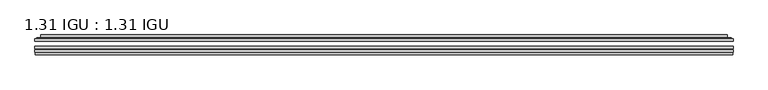
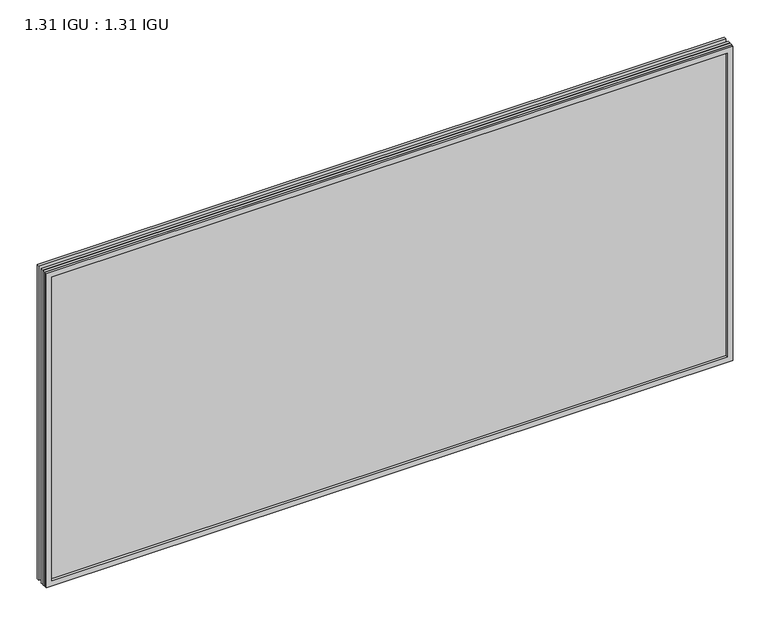
"""IFC4 building model written with IfcOpenShell, lengths in millimetres: plate geometry, 1.31 IGU : 1.31 IGU."""

from ifc_helpers import new_model, si_unit, frame, origin, place, context, project, spatial, polyline, ellipse_curve, outline, extrude, faceted_brep, source, transform, mapped, element, save
from ifc_brep_helpers import plane_surface, cylinder_surface, advanced_brep


def plate_1_31_igu_1_31_igu_b4c72619(model_context):
    return source(origin(), model_context, "Body", "SolidModel", [
        extrude(outline(polyline([(871.5519462, -63.59525), (871.5519462, -69.94525), (-871.5377713, -69.94525), (-871.5377713, -63.59525), (871.5519462, -63.59525)])), frame((0.0, 0.0, -14.2875), z_axis=(0.0, 0.0, 1.0), x_axis=(1.0, 0.0, 0.0)), (0.0, 0.0, 1.0), 844.5537979),
        extrude(outline(polyline([(-871.5377713, -78.58125), (-871.5377713, -72.230745), (871.5519462, -72.230745), (871.5519462, -78.58125), (-871.5377713, -78.58125)])), frame((0.0, 0.0, -14.2875), z_axis=(0.0, 0.0, 1.0), x_axis=(1.0, 0.0, 0.0)), (0.0, 0.0, 1.0), 844.5537979),
        extrude(outline(polyline([(871.5519462, -45.25645), (871.5519462, -51.60645), (-871.5377713, -51.60645), (-871.5377713, -45.25645), (871.5519462, -45.25645)])), frame((0.0, 0.0, -14.2875), z_axis=(0.0, 0.0, 1.0), x_axis=(1.0, 0.0, 0.0)), (0.0, 0.0, 1.0), 844.5537979),
        faceted_brep([(-870.8375855, -84.93125, 829.5623142), (-870.8375855, -78.58125, 829.5623142), (-870.8375855, -78.58125, -13.5873142), (-870.8375855, -84.93125, -13.5873142), (870.8375855, -78.58125, -13.5873142), (870.8375855, -84.93125, -13.5873142), (870.8375855, -78.58125, 829.5623142), (870.8375855, -84.93125, 829.5623142), (-856.3525272, -78.58125, 0.8977441), (856.3525272, -78.58125, 0.8977441), (856.3525272, -78.58125, 815.0772559), (-856.3525272, -78.58125, 815.0772559), (-857.2449615, -84.93125, 815.9696902), (857.2449615, -84.93125, 815.9696902), (857.2449615, -84.93125, 0.0053098), (-857.2449615, -84.93125, 0.0053098)], [[[0, 1, 2, 3]], [[3, 2, 4, 5]], [[5, 4, 6, 7]], [[1, 6, 4, 2], [8, 9, 10, 11]], [[7, 6, 1, 0]], [[3, 5, 7, 0], [12, 13, 14, 15]], [[11, 12, 15, 8]], [[8, 15, 14, 9]], [[9, 14, 13, 10]], [[10, 13, 12, 11]]]),
        advanced_brep(
        [(-864.2964903, -45.25645, 823.0212191), (-866.6506957, -43.2667833, 825.3754244), (-866.6506957, -43.2667833, -9.4004244), (-864.2964903, -45.25645, -7.046219), (-855.2221652, -41.416413, 813.9468939), (-850.2873334, -45.25645, 809.0120621), (-850.2873334, -45.25645, 6.9629379), (-855.2221652, -41.416413, 2.0281061), (-856.2541929, -36.0191819, 814.9789217), (-856.2541929, -36.0191819, 0.9960783), (-857.2448497, -35.6202069, 815.9695784), (-857.2448497, -35.6202069, 0.0054216), (-857.2448497, -42.08145, 815.9695784), (-857.2448497, -42.08145, 0.0054216), (-865.6489062, -42.08145, 824.3736349), (-865.6489062, -42.08145, -8.3986349), (866.6506957, -43.2667833, -9.4004244), (864.2964903, -45.25645, -7.046219), (850.2873334, -45.25645, 6.9629379), (855.2221652, -41.416413, 2.0281061), (856.2541929, -36.0191819, 0.9960783), (857.2448497, -35.6202069, 0.0054216), (857.2448497, -42.08145, 0.0054216), (865.6489062, -42.08145, -8.3986349), (866.6506957, -43.2667833, 825.3754244), (864.2964903, -45.25645, 823.0212191), (850.2873334, -45.25645, 809.0120621), (855.2221652, -41.416413, 813.9468939), (856.2541929, -36.0191819, 814.9789217), (857.2448497, -35.6202069, 815.9695784), (857.2448497, -42.08145, 815.9695784), (865.6489062, -42.08145, 824.3736349)],
        [
            (0, 1, ellipse_curve(frame((-864.2964903, -42.86885, 823.0212191), z_axis=(-0.7071067811865475, 0.0, -0.7071067811865475), x_axis=(-0.7071067811865474, 0.0, 0.7071067811865476)), 3.3765763, 2.3876)),
            (1, 2),
            (2, 3, ellipse_curve(frame((-864.2964903, -42.86885, -7.046219), z_axis=(-0.7071067811865475, 0.0, 0.7071067811865475), x_axis=(0.7071067811865474, 0.0, 0.7071067811865476)), 3.3765763, 2.3876)),
            (3, 0),
            (4, 5),
            (5, 6),
            (6, 7),
            (7, 4),
            (8, 4),
            (7, 9),
            (9, 8),
            (10, 8, ellipse_curve(frame((-856.8778931, -36.1384423, 815.6026219), z_axis=(-0.7071067811865475, 0.0, -0.7071067811865475), x_axis=(-0.7071067811865474, 0.0, 0.7071067811865476)), 0.8980256, 0.635)),
            (9, 11, ellipse_curve(frame((-856.8778931, -36.1384423, 0.3723781), z_axis=(-0.7071067811865475, 0.0, 0.7071067811865475), x_axis=(0.7071067811865474, 0.0, 0.7071067811865476)), 0.8980256, 0.635)),
            (11, 10),
            (12, 10),
            (11, 13),
            (13, 12),
            (1, 14, ellipse_curve(frame((-865.6489062, -43.09745, 824.3736349), z_axis=(-0.7071067811865475, 0.0, -0.7071067811865475), x_axis=(-0.7071067811865474, 0.0, 0.7071067811865476)), 1.436841, 1.016)),
            (14, 15),
            (15, 2, ellipse_curve(frame((-865.6489062, -43.09745, -8.3986349), z_axis=(-0.7071067811865475, 0.0, 0.7071067811865475), x_axis=(0.7071067811865474, 0.0, 0.7071067811865476)), 1.436841, 1.016)),
            (2, 16),
            (16, 17, ellipse_curve(frame((864.2964903, -42.86885, -7.046219), z_axis=(-0.7071067811865475, 0.0, -0.7071067811865475), x_axis=(-0.7071067811865476, 0.0, 0.7071067811865474)), 3.3765763, 2.3876)),
            (17, 3),
            (6, 18),
            (18, 19),
            (19, 7),
            (19, 20),
            (20, 9),
            (20, 21, ellipse_curve(frame((856.8778931, -36.1384423, 0.3723781), z_axis=(-0.7071067811865475, 0.0, -0.7071067811865475), x_axis=(-0.7071067811865476, 0.0, 0.7071067811865474)), 0.8980256, 0.635)),
            (21, 11),
            (21, 22),
            (22, 13),
            (15, 23),
            (23, 16, ellipse_curve(frame((865.6489062, -43.09745, -8.3986349), z_axis=(-0.7071067811865475, 0.0, -0.7071067811865475), x_axis=(-0.7071067811865476, 0.0, 0.7071067811865474)), 1.436841, 1.016)),
            (16, 24),
            (24, 25, ellipse_curve(frame((864.2964903, -42.86885, 823.0212191), z_axis=(0.7071067811865475, 0.0, -0.7071067811865475), x_axis=(-0.7071067811865474, 0.0, -0.7071067811865476)), 3.3765763, 2.3876)),
            (25, 17),
            (18, 26),
            (26, 27),
            (27, 19),
            (27, 28),
            (28, 20),
            (28, 29, ellipse_curve(frame((856.8778931, -36.1384423, 815.6026219), z_axis=(0.7071067811865475, 0.0, -0.7071067811865475), x_axis=(-0.7071067811865474, 0.0, -0.7071067811865476)), 0.8980256, 0.635)),
            (29, 21),
            (29, 30),
            (30, 22),
            (23, 31),
            (31, 24, ellipse_curve(frame((865.6489062, -43.09745, 824.3736349), z_axis=(0.7071067811865475, 0.0, -0.7071067811865475), x_axis=(-0.7071067811865474, 0.0, -0.7071067811865476)), 1.436841, 1.016)),
            (24, 1),
            (0, 25),
            (5, 26),
            (4, 27),
            (8, 28),
            (10, 29),
            (12, 30),
            (14, 31),
        ],
        [
            cylinder_surface(frame((-864.2964903, -42.86885, 847.725), z_axis=(0.0, 0.0, 1.0), x_axis=(-1.0, 0.0, 0.0)), 2.3876),
            plane_surface(frame((-850.2873334, -45.25645, 809.0120621), z_axis=(0.6141233906514794, 0.7892100234124821, 0.0), x_axis=(0.0, 0.0, -1.0))),
            plane_surface(frame((-855.2221652, -41.416413, 813.9468939), z_axis=(0.9822050625507729, 0.18781164793386076, 0.0), x_axis=(0.0, 0.0, -1.0))),
            cylinder_surface(frame((-856.8778931, -36.1384423, 847.725), z_axis=(0.0, 0.0, 1.0), x_axis=(-1.0, 0.0, 0.0)), 0.635),
            plane_surface(frame((-857.2448497, -35.6202069, 815.9695784), z_axis=(-1.0, 0.0, 0.0), x_axis=(0.0, 0.0, -1.0))),
            cylinder_surface(frame((-865.6489062, -43.09745, 847.725), z_axis=(0.0, 0.0, 1.0), x_axis=(-1.0, 0.0, 0.0)), 1.016),
            cylinder_surface(frame((-889.0002713, -42.86885, -7.046219), z_axis=(-1.0, 0.0, 0.0), x_axis=(0.0, 0.0, -1.0)), 2.3876),
            plane_surface(frame((-850.2873334, -45.25645, 6.9629379), z_axis=(0.0, 0.7892100234124841, 0.6141233906514768), x_axis=(1.0, 0.0, 0.0))),
            plane_surface(frame((-855.2221652, -41.416413, 2.0281061), z_axis=(0.0, 0.18781164793386393, 0.9822050625507723), x_axis=(1.0, 0.0, 0.0))),
            cylinder_surface(frame((-889.0002713, -36.1384423, 0.3723781), z_axis=(-1.0, 0.0, 0.0), x_axis=(0.0, 0.0, -1.0)), 0.635),
            plane_surface(frame((-857.2448497, -35.6202069, 0.0054216), z_axis=(0.0, 0.0, -1.0), x_axis=(1.0, 0.0, 0.0))),
            cylinder_surface(frame((-889.0002713, -43.09745, -8.3986349), z_axis=(-1.0, 0.0, 0.0), x_axis=(0.0, 0.0, -1.0)), 1.016),
            cylinder_surface(frame((864.2964903, -42.86885, -31.75), z_axis=(0.0, 0.0, -1.0), x_axis=(1.0, 0.0, 0.0)), 2.3876),
            plane_surface(frame((850.2873334, -45.25645, 6.9629379), z_axis=(-0.6141233906514743, 0.7892100234124861, 0.0), x_axis=(0.0, 0.0, 1.0))),
            plane_surface(frame((855.2221652, -41.416413, 2.0281061), z_axis=(-0.9822050625507718, 0.1878116479338671, 0.0), x_axis=(0.0, 0.0, 1.0))),
            cylinder_surface(frame((856.8778931, -36.1384423, -31.75), z_axis=(0.0, 0.0, -1.0), x_axis=(1.0, 0.0, 0.0)), 0.635),
            plane_surface(frame((857.2448497, -35.6202069, 0.0054216), z_axis=(1.0, 0.0, 0.0), x_axis=(0.0, 0.0, 1.0))),
            cylinder_surface(frame((865.6489062, -43.09745, -31.75), z_axis=(0.0, 0.0, -1.0), x_axis=(1.0, 0.0, 0.0)), 1.016),
            cylinder_surface(frame((889.0002713, -42.86885, 823.0212191), z_axis=(1.0, 0.0, 0.0), x_axis=(0.0, 0.0, 1.0)), 2.3876),
            plane_surface(frame((864.2964903, -45.25645, 823.0212191), z_axis=(0.0, -1.0, 0.0), x_axis=(-1.0, 0.0, 0.0))),
            plane_surface(frame((850.2873334, -45.25645, 809.0120621), z_axis=(0.0, 0.7892100234124841, -0.6141233906514768), x_axis=(-1.0, 0.0, 0.0))),
            plane_surface(frame((855.2221652, -41.416413, 813.9468939), z_axis=(0.0, 0.18781164793386393, -0.9822050625507723), x_axis=(-1.0, 0.0, 0.0))),
            cylinder_surface(frame((889.0002713, -36.1384423, 815.6026219), z_axis=(1.0, 0.0, 0.0), x_axis=(0.0, 0.0, 1.0)), 0.635),
            plane_surface(frame((857.2448497, -35.6202069, 815.9695784), z_axis=(0.0, 0.0, 1.0), x_axis=(-1.0, 0.0, 0.0))),
            plane_surface(frame((857.2448497, -42.08145, 815.9695784), z_axis=(0.0, 1.0, 0.0), x_axis=(-1.0, 0.0, 0.0))),
            cylinder_surface(frame((889.0002713, -43.09745, 824.3736349), z_axis=(1.0, 0.0, 0.0), x_axis=(0.0, 0.0, 1.0)), 1.016),
        ],
        [
            (0, [[1, 2, 3, 4]]),
            (1, [[5, 6, 7, 8]]),
            (2, [[9, -8, 10, 11]]),
            (3, [[12, -11, 13, 14]]),
            (4, [[15, -14, 16, 17]]),
            (5, [[18, 19, 20, -2]]),
            (6, [[-3, 21, 22, 23]]),
            (7, [[-7, 24, 25, 26]]),
            (8, [[-10, -26, 27, 28]]),
            (9, [[-13, -28, 29, 30]]),
            (10, [[-16, -30, 31, 32]]),
            (11, [[-20, 33, 34, -21]]),
            (12, [[-22, 35, 36, 37]]),
            (13, [[-25, 38, 39, 40]]),
            (14, [[-27, -40, 41, 42]]),
            (15, [[-29, -42, 43, 44]]),
            (16, [[-31, -44, 45, 46]]),
            (17, [[-34, 47, 48, -35]]),
            (18, [[-36, 49, -1, 50]]),
            (19, [[-23, -37, -50, -4], [51, -38, -24, -6]]),
            (20, [[-39, -51, -5, 52]]),
            (21, [[-41, -52, -9, 53]]),
            (22, [[-43, -53, -12, 54]]),
            (23, [[-45, -54, -15, 55]]),
            (24, [[56, -47, -33, -19], [-32, -46, -55, -17]]),
            (25, [[-48, -56, -18, -49]]),
        ],
    ),
    ])


if __name__ == "__main__":
    model = new_model("IFC4")
    model_context = context("Model", 3, world=origin())
    ifc_project = project(units=[si_unit("LENGTHUNIT", "METRE", prefix="MILLI")], contexts=[model_context])
    site = spatial("IfcSite", under=ifc_project)
    building = spatial("IfcBuilding", under=site)
    placement = place(None, origin())
    plate_1_31_igu_1_31_igu_shape = plate_1_31_igu_1_31_igu_b4c72619(model_context)
    element("IfcPlate", 1, ObjectType="1.31 IGU : 1.31 IGU", at=placement, inside=building, context=model_context, shape_type="MappedRepresentation", body=[
        mapped(plate_1_31_igu_1_31_igu_shape, transform((0.0, 0.0, 0.0), x_axis=(1.0, 0.0, 0.0), y_axis=(0.0, 1.0, 0.0), z_axis=(0.0, 0.0, 1.0))),
    ])
    save(model, "model.ifc")
